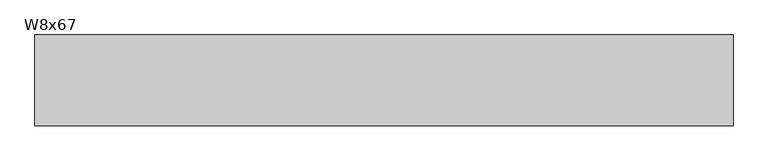
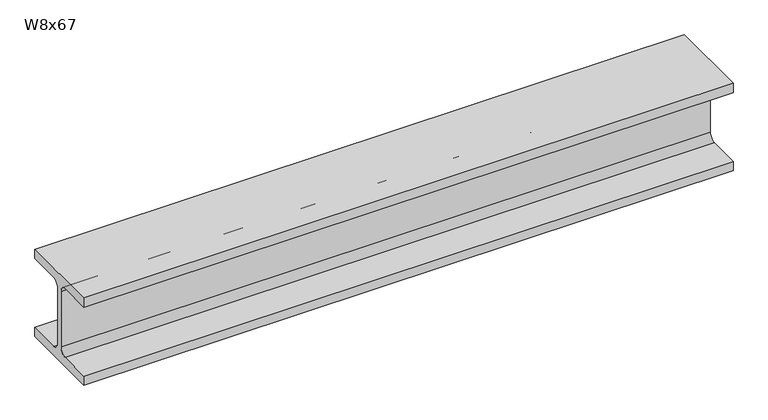
"""IFC4 building model written with IfcOpenShell, lengths in millimetres: beam geometry, W8x67."""

from ifc_helpers import new_model, si_unit, point, frame, frame_2d, origin, place, context, project, spatial, polyline, circle_curve, trimmed, segment, composite_curve, outline, extrude, source, transform, mapped, element, save


def w8x67_a9d2101c(model_context):
    return source(origin(), model_context, "Body", "SweptSolid", [
        extrude(outline(composite_curve([segment(polyline([(105.156, -90.551), (105.156, -114.3), (-105.156, -114.3), (-105.156, -90.551), (-24.765, -90.551)]), True, "CONTINUOUS"), segment(trimmed(circle_curve(frame_2d((-24.765, -73.025)), 17.526), [point((-24.765, -90.551))], [point((-7.239, -73.025))], True, "CARTESIAN"), True, "CONTINUOUS"), segment(polyline([(-7.239, -73.025), (-7.239, 73.025)]), True, "CONTINUOUS"), segment(trimmed(circle_curve(frame_2d((-24.765, 73.025)), 17.526), [point((-7.239, 73.025))], [point((-24.765, 90.551))], True, "CARTESIAN"), True, "CONTINUOUS"), segment(polyline([(-24.765, 90.551), (-105.156, 90.551), (-105.156, 114.3), (105.156, 114.3), (105.156, 90.551), (24.765, 90.551)]), True, "CONTINUOUS"), segment(trimmed(circle_curve(frame_2d((24.765, 73.025)), 17.526), [point((24.765, 90.551))], [point((7.239, 73.025))], True, "CARTESIAN"), True, "CONTINUOUS"), segment(polyline([(7.239, 73.025), (7.239, -73.025)]), True, "CONTINUOUS"), segment(trimmed(circle_curve(frame_2d((24.765, -73.025)), 17.526), [point((7.239, -73.025))], [point((24.765, -90.551))], True, "CARTESIAN"), True, "CONTINUOUS"), segment(polyline([(24.765, -90.551), (105.156, -90.551)]), True, "CONTINUOUS")], self_intersect=False)), frame((-806.2482377, 0.0, 0.0), z_axis=(1.0, 0.0, 0.0), x_axis=(0.0, 1.0, 0.0)), (0.0, 0.0, 1.0), 1612.4964754),
    ])


if __name__ == "__main__":
    model = new_model("IFC4")
    model_context = context("Model", 3, world=origin())
    ifc_project = project(units=[si_unit("LENGTHUNIT", "METRE", prefix="MILLI")], contexts=[model_context])
    site = spatial("IfcSite", under=ifc_project)
    building = spatial("IfcBuilding", under=site)
    placement = place(None, origin())
    w8x67_shape = w8x67_a9d2101c(model_context)
    element("IfcBeam", 1, ObjectType="W8x67", at=placement, inside=building, context=model_context, shape_type="MappedRepresentation", body=[
        mapped(w8x67_shape, transform((0.0, 0.0, 0.0), x_axis=(1.0, 0.0, 0.0), y_axis=(0.0, 1.0, 0.0), z_axis=(0.0, 0.0, 1.0))),
    ])
    save(model, "model.ifc")
